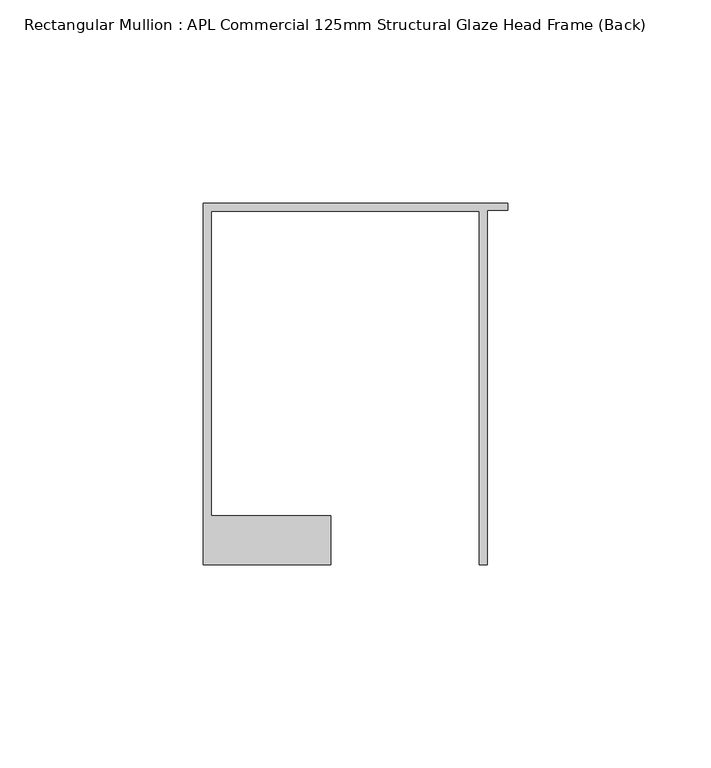
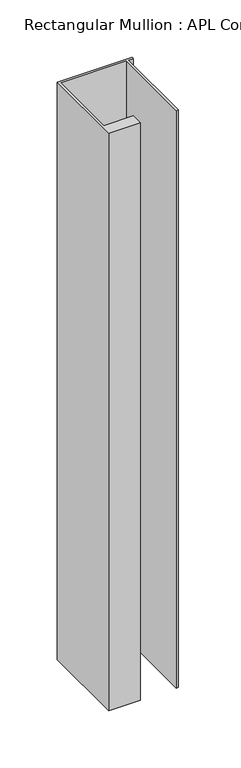
"""IFC4 building model written with IfcOpenShell, lengths in millimetres: member geometry, Rectangular Mullion : APL Commercial 125mm Structural Glaze Head Frame (Back)."""

import ifcopenshell
import ifcopenshell.guid

model = None  # the IFC model being written
_history = None  # IfcOwnerHistory: only IFC2X3 demands one
_inside = {}  # id of a spatial element -> (the spatial element, [elements in it])
_under = {}  # id of a project, library or spatial element -> (it, [spatial elements below it])
_declared = {}  # id of a project -> (the project, [libraries it declares])
_typed = {}  # id of a type object -> (the type object, [elements of that type])
_made_of = {}  # id of a material, layer set ... -> (it, [elements and type objects made of it])


def new_model(schema):
    """Start an empty IFC model of exactly this schema.

    Asked for "IFC4X3", IfcOpenShell would pick the latest addendum, in which some entities
    have other attributes; the version numbers below select the first issue.
    IFC2X3 requires an IfcOwnerHistory on every rooted entity: one is made here for all.
    """
    global model, _history
    if schema == "IFC4X3":
        model = ifcopenshell.file(schema_version=(4, 3, 0, 0))
    else:
        model = ifcopenshell.file(schema=schema)
    _inside.clear()
    _under.clear()
    _declared.clear()
    _typed.clear()
    _made_of.clear()
    _history = None
    if model.schema == "IFC2X3":
        org = make("IfcOrganization", Name="unknown")
        user = make(
            "IfcPersonAndOrganization",
            ThePerson=make("IfcPerson", FamilyName="unknown"),
            TheOrganization=org,
        )
        app = make(
            "IfcApplication",
            ApplicationDeveloper=org,
            Version="unknown",
            ApplicationFullName="unknown",
            ApplicationIdentifier="unknown",
        )
        _history = make(
            "IfcOwnerHistory",
            OwningUser=user,
            OwningApplication=app,
            ChangeAction="ADDED",
            CreationDate=0,
        )
    return model


def make(cls, **values):
    """One entity of the class cls with the attributes given. An attribute that is None is left unset."""
    return model.create_entity(
        cls, **{name: value for name, value in values.items() if value is not None}
    )


def rooted(cls, **values):
    """An entity with a GlobalId (a new one), such as an element, a storey or a relation."""
    return make(cls, GlobalId=ifcopenshell.guid.new(), OwnerHistory=_history, **values)


def si_unit(unit_type, name, prefix=None):
    """IfcSIUnit, for example si_unit("LENGTHUNIT", "METRE", prefix="MILLI")."""
    return make("IfcSIUnit", UnitType=unit_type, Prefix=prefix, Name=name)


def assignment(units):
    """IfcUnitAssignment: the units of a project."""
    return None if units is None else make("IfcUnitAssignment", Units=units)


def point(xyz):
    """IfcCartesianPoint."""
    return None if xyz is None else make("IfcCartesianPoint", Coordinates=xyz)


def direction(xyz):
    """IfcDirection."""
    return None if xyz is None else make("IfcDirection", DirectionRatios=xyz)


def frame(location, z_axis=None, x_axis=None):
    """IfcAxis2Placement3D, a coordinate frame: its origin and axes. An axis left out is left unset."""
    return make(
        "IfcAxis2Placement3D",
        Location=point(location),
        Axis=direction(z_axis),
        RefDirection=direction(x_axis),
    )


def origin():
    """The frame at (0, 0, 0) with its axes left unset."""
    return frame((0.0, 0.0, 0.0))


def place(relative_to, where):
    """IfcLocalPlacement: puts the frame where relative to a parent placement (None: the world)."""
    return make(
        "IfcLocalPlacement", PlacementRelTo=relative_to, RelativePlacement=where
    )


def context(
    kind, dimensions, precision=None, world=None, true_north=None, identifier=None
):
    """IfcGeometricRepresentationContext, for example the 3D "Model" context."""
    return make(
        "IfcGeometricRepresentationContext",
        ContextIdentifier=identifier,
        ContextType=kind,
        CoordinateSpaceDimension=dimensions,
        Precision=precision,
        WorldCoordinateSystem=world,
        TrueNorth=true_north,
    )


def project(units=None, contexts=None):
    """IfcProject with its units and contexts."""
    return rooted(
        "IfcProject",
        Name="project",
        RepresentationContexts=contexts,
        UnitsInContext=assignment(units),
    )


def spatial(cls, under=None, at=None, **own):
    """A site, building, storey or space (cls), placed at a placement, below another one or the project."""
    s = rooted(cls, ObjectPlacement=at, **own)
    if under is not None:
        _under.setdefault(under.id(), (under, []))[1].append(s)
    return s


def polyline(points):
    """IfcPolyline through the points."""
    return make("IfcPolyline", Points=[point(p) for p in points])


def outline(outer, holes=None, kind="AREA"):
    """IfcArbitraryClosedProfileDef: a profile drawn as a closed curve; with holes, ...WithVoids."""
    if holes is None:
        return make("IfcArbitraryClosedProfileDef", ProfileType=kind, OuterCurve=outer)
    return make(
        "IfcArbitraryProfileDefWithVoids",
        ProfileType=kind,
        OuterCurve=outer,
        InnerCurves=holes,
    )


def extrude(swept, where, along, depth):
    """IfcExtrudedAreaSolid: the profile swept, set in the frame where, extruded along a direction by depth."""
    return make(
        "IfcExtrudedAreaSolid",
        SweptArea=swept,
        Position=where,
        ExtrudedDirection=direction(along),
        Depth=depth,
    )


def shape(context_of_items, identifier, shape_type, items):
    """IfcShapeRepresentation: the items that make up one representation, for example the "Body"."""
    return make(
        "IfcShapeRepresentation",
        ContextOfItems=context_of_items,
        RepresentationIdentifier=identifier,
        RepresentationType=shape_type,
        Items=items,
    )


def source(mapping_origin, context_of_items, identifier, shape_type, items):
    """IfcRepresentationMap: a shape defined once, which mapped items show again and again."""
    return make(
        "IfcRepresentationMap",
        MappingOrigin=mapping_origin,
        MappedRepresentation=shape(context_of_items, identifier, shape_type, items),
    )


def transform(
    local_origin,
    x_axis=None,
    y_axis=None,
    z_axis=None,
    scale=None,
    scale2=None,
    scale3=None,
    uniform=True,
):
    """IfcCartesianTransformationOperator3D, or its non-uniform kind. x_axis, y_axis, z_axis: its Axis1, 2, 3."""
    if uniform:
        return make(
            "IfcCartesianTransformationOperator3D",
            Axis1=direction(x_axis),
            Axis2=direction(y_axis),
            LocalOrigin=point(local_origin),
            Scale=scale,
            Axis3=direction(z_axis),
        )
    return make(
        "IfcCartesianTransformationOperator3DnonUniform",
        Axis1=direction(x_axis),
        Axis2=direction(y_axis),
        LocalOrigin=point(local_origin),
        Scale=scale,
        Axis3=direction(z_axis),
        Scale2=scale2,
        Scale3=scale3,
    )


def mapped(mapping_source, mapping_target):
    """IfcMappedItem: shows the shape of a source again, moved by a transform."""
    return make(
        "IfcMappedItem", MappingSource=mapping_source, MappingTarget=mapping_target
    )


def made_of(thing, what):
    """Note that an element or type object is made of a material, layer set ...; save() writes the relation."""
    if what is not None:
        _made_of.setdefault(what.id(), (what, []))[1].append(thing)
    return thing


def element(
    cls,
    number,
    at=None,
    inside=None,
    cuts=None,
    type_object=None,
    material=None,
    context=None,
    identifier="Body",
    shape_type=None,
    held_by="IfcProductDefinitionShape",
    body=None,
    shapes=None,
    **own,
):
    """One element of the class cls, such as IfcWall. Its Tag is "e" and its number.

    at: its placement. inside: the storey or other place that contains it. cuts: it is an
    opening in that element (IfcRelVoidsElement). A single representation is given by context,
    identifier, shape_type and body (its items); several are given by shapes. held_by: the class
    of the entity that holds the representations. save() writes the other relations.
    """
    e = rooted(cls, Tag="e%d" % number, ObjectPlacement=at, **own)
    if body is not None:
        shapes = [shape(context, identifier, shape_type, body)]
    if shapes is not None:
        e.Representation = make(held_by, Representations=shapes)
    if inside is not None:
        _inside.setdefault(inside.id(), (inside, []))[1].append(e)
    if cuts is not None:
        rooted(
            "IfcRelVoidsElement", RelatingBuildingElement=cuts, RelatedOpeningElement=e
        )
    if type_object is not None:
        _typed.setdefault(type_object.id(), (type_object, []))[1].append(e)
    return made_of(e, material)


def aggregate(whole, parts):
    """IfcRelAggregates: a whole, such as a stair, and the parts it consists of."""
    return rooted("IfcRelAggregates", RelatingObject=whole, RelatedObjects=parts)


def save(model, path):
    """Write the relations noted so far, then the file.

    IfcRelAggregates (storeys below a building ...), IfcRelContainedInSpatialStructure (elements
    in a storey), IfcRelDefinesByType, IfcRelAssociatesMaterial and IfcRelDeclares: one each for
    every whole, place, type object, material and project.
    """
    for whole, parts in _under.values():
        aggregate(whole, parts)
    for where, things in _inside.values():
        rooted(
            "IfcRelContainedInSpatialStructure",
            RelatedElements=things,
            RelatingStructure=where,
        )
    for kind, things in _typed.values():
        rooted("IfcRelDefinesByType", RelatedObjects=things, RelatingType=kind)
    for what, things in _made_of.values():
        rooted("IfcRelAssociatesMaterial", RelatedObjects=things, RelatingMaterial=what)
    for by, libraries in _declared.values():
        rooted("IfcRelDeclares", RelatingContext=by, RelatedDefinitions=libraries)
    model.write(path)


def rectangular_mullion_apl_commercial_125mm_structural_glaze_d1c34c32(model_context):
    return source(origin(), model_context, "Body", "SweptSolid", [
        extrude(outline(polyline([(-75.0, 103.9993063), (0.0, 103.9993063), (0.0, 102.1993063), (-5.0, 102.1993063), (-5.0, 14.9998342), (-7.0, 14.9998342), (-7.0, 101.9993063), (-73.0, 101.9993063), (-73.0, 26.9997514), (-43.5000151, 26.9997514), (-43.5000151, 14.9998342), (-75.0, 14.9998342), (-75.0, 103.9993063)])), frame((0.0, 0.0, -613.1421998), z_axis=(0.0, 0.0, 1.0), x_axis=(1.0, 0.0, 0.0)), (0.0, 0.0, 1.0), 613.1421998),
    ])


if __name__ == "__main__":
    model = new_model("IFC4")
    model_context = context("Model", 3, world=origin())
    ifc_project = project(units=[si_unit("LENGTHUNIT", "METRE", prefix="MILLI")], contexts=[model_context])
    site = spatial("IfcSite", under=ifc_project)
    building = spatial("IfcBuilding", under=site)
    placement = place(None, origin())
    rectangular_mullion_apl_commercial_125mm_structural_glaze_shape = rectangular_mullion_apl_commercial_125mm_structural_glaze_d1c34c32(model_context)
    element("IfcMember", 1, ObjectType="Rectangular Mullion : APL Commercial 125mm Structural Glaze Head Frame (Back)", at=placement, inside=building, context=model_context, shape_type="MappedRepresentation", body=[
        mapped(rectangular_mullion_apl_commercial_125mm_structural_glaze_shape, transform((0.0, 0.0, 0.0), x_axis=(1.0, 0.0, 0.0), y_axis=(0.0, 1.0, 0.0), z_axis=(0.0, 0.0, 1.0))),
    ])
    save(model, "model.ifc")
